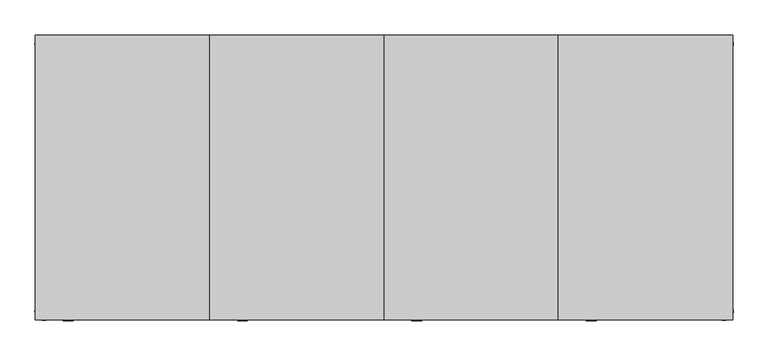
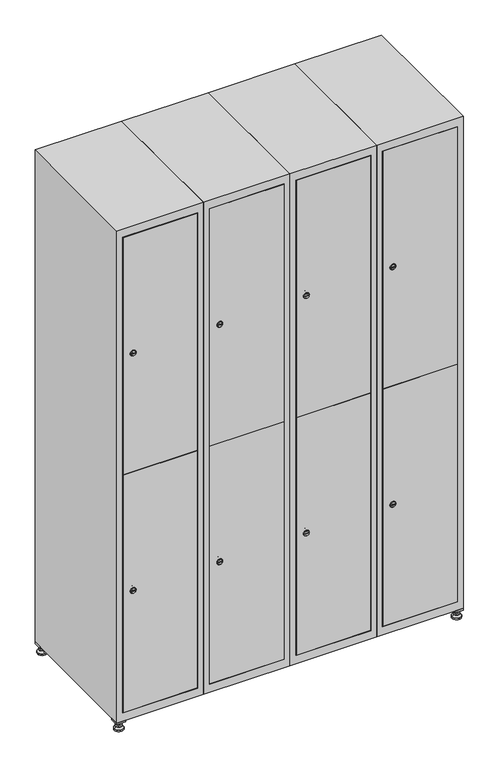
"""IFC4 building model written with IfcOpenShell, lengths in millimetres: furniture geometry."""

from ifc_helpers import new_model, si_unit, point, frame, frame_2d, origin, origin_with_axes, place, context, project, spatial, polyline, circle_curve, trimmed, segment, composite_curve, outline, extrude, faceted_brep, source, transform, mapped, element, save
from ifc_brep_helpers import plane_surface, revolved_surface, advanced_brep


def furniture_bb982e2c(model_context):
    return source(origin(), model_context, "Body", "SolidModel", [
        extrude(outline(polyline([(1000.0, 245.0), (1000.0, 215.0), (970.0, 215.0), (970.0, 245.0), (1000.0, 245.0)]), holes=[polyline([(998.0, 243.0), (972.0, 243.0), (972.0, 217.0), (998.0, 217.0), (998.0, 243.0)])]), frame((0.0, 0.0, 28.5), z_axis=(0.0, 0.0, 1.0), x_axis=(1.0, 0.0, 0.0)), (0.0, 0.0, 1.0), 6.5),
        extrude(outline(polyline([(970.0, -245.0), (970.0, -215.0), (1000.0, -215.0), (1000.0, -245.0), (970.0, -245.0)]), holes=[polyline([(972.0, -243.0), (998.0, -243.0), (998.0, -217.0), (972.0, -217.0), (972.0, -243.0)])]), frame((0.0, 0.0, 28.5), z_axis=(0.0, 0.0, 1.0), x_axis=(1.0, 0.0, 0.0)), (0.0, 0.0, 1.0), 6.5),
        extrude(outline(polyline([(-170.0, 245.0), (-170.0, 215.0), (-200.0, 215.0), (-200.0, 245.0), (-170.0, 245.0)]), holes=[polyline([(-172.0, 243.0), (-198.0, 243.0), (-198.0, 217.0), (-172.0, 217.0), (-172.0, 243.0)])]), frame((0.0, 0.0, 28.5), z_axis=(0.0, 0.0, 1.0), x_axis=(1.0, 0.0, 0.0)), (0.0, 0.0, 1.0), 6.5),
        extrude(outline(polyline([(-170.0, -215.0), (-170.0, -245.0), (-200.0, -245.0), (-200.0, -215.0), (-170.0, -215.0)]), holes=[polyline([(-198.0, -243.0), (-172.0, -243.0), (-172.0, -217.0), (-198.0, -217.0), (-198.0, -243.0)])]), frame((0.0, 0.0, 28.5), z_axis=(0.0, 0.0, 1.0), x_axis=(1.0, 0.0, 0.0)), (0.0, 0.0, 1.0), 6.5),
        extrude(outline(composite_curve([segment(trimmed(circle_curve(frame_2d((-185.0, 230.0)), 5.0), [point((-180.0, 230.0))], [point((-190.0, 230.0))], False, "CARTESIAN"), True, "CONTINUOUS"), segment(trimmed(circle_curve(frame_2d((-185.0, 230.0)), 5.0), [point((-190.0, 230.0))], [point((-180.0, 230.0))], False, "CARTESIAN"), True, "CONTINUOUS")], self_intersect=False)), frame((0.0, 0.0, 19.6), z_axis=(0.0, 0.0, 1.0), x_axis=(1.0, 0.0, 0.0)), (0.0, 0.0, 1.0), 15.4),
        extrude(outline(composite_curve([segment(trimmed(circle_curve(frame_2d((-185.0, -230.0)), 5.0), [point((-180.0, -230.0))], [point((-190.0, -230.0))], False, "CARTESIAN"), True, "CONTINUOUS"), segment(trimmed(circle_curve(frame_2d((-185.0, -230.0)), 5.0), [point((-190.0, -230.0))], [point((-180.0, -230.0))], False, "CARTESIAN"), True, "CONTINUOUS")], self_intersect=False)), frame((0.0, 0.0, 19.6), z_axis=(0.0, 0.0, 1.0), x_axis=(1.0, 0.0, 0.0)), (0.0, 0.0, 1.0), 15.4),
        extrude(outline(composite_curve([segment(trimmed(circle_curve(frame_2d((985.0, 230.0)), 5.0), [point((990.0, 230.0))], [point((980.0, 230.0))], False, "CARTESIAN"), True, "CONTINUOUS"), segment(trimmed(circle_curve(frame_2d((985.0, 230.0)), 5.0), [point((980.0, 230.0))], [point((990.0, 230.0))], False, "CARTESIAN"), True, "CONTINUOUS")], self_intersect=False)), frame((0.0, 0.0, 19.6), z_axis=(0.0, 0.0, 1.0), x_axis=(1.0, 0.0, 0.0)), (0.0, 0.0, 1.0), 15.4),
        extrude(outline(polyline([(973.4529946, 230.0), (979.2264973, 240.0), (990.7735027, 240.0), (996.5470054, 230.0), (990.7735027, 220.0), (979.2264973, 220.0), (973.4529946, 230.0)])), frame((0.0, 0.0, 13.6), z_axis=(0.0, 0.0, 1.0), x_axis=(1.0, 0.0, 0.0)), (0.0, 0.0, 1.0), 6.0),
        extrude(outline(composite_curve([segment(trimmed(circle_curve(frame_2d((985.0, -230.0)), 5.0), [point((990.0, -230.0))], [point((980.0, -230.0))], False, "CARTESIAN"), True, "CONTINUOUS"), segment(trimmed(circle_curve(frame_2d((985.0, -230.0)), 5.0), [point((980.0, -230.0))], [point((990.0, -230.0))], False, "CARTESIAN"), True, "CONTINUOUS")], self_intersect=False)), frame((0.0, 0.0, 19.6), z_axis=(0.0, 0.0, 1.0), x_axis=(1.0, 0.0, 0.0)), (0.0, 0.0, 1.0), 15.4),
        extrude(outline(polyline([(973.4529946, -230.0), (979.2264973, -220.0), (990.7735027, -220.0), (996.5470054, -230.0), (990.7735027, -240.0), (979.2264973, -240.0), (973.4529946, -230.0)])), frame((0.0, 0.0, 13.6), z_axis=(0.0, 0.0, 1.0), x_axis=(1.0, 0.0, 0.0)), (0.0, 0.0, 1.0), 6.0),
        extrude(outline(composite_curve([segment(trimmed(circle_curve(frame_2d((985.0, 230.0)), 5.0), [point((990.0, 230.0))], [point((980.0, 230.0))], False, "CARTESIAN"), True, "CONTINUOUS"), segment(trimmed(circle_curve(frame_2d((985.0, 230.0)), 5.0), [point((980.0, 230.0))], [point((990.0, 230.0))], False, "CARTESIAN"), True, "CONTINUOUS")], self_intersect=False)), frame((0.0, 0.0, 12.1), z_axis=(0.0, 0.0, 1.0), x_axis=(1.0, 0.0, 0.0)), (0.0, 0.0, 1.0), 1.5),
        extrude(outline(composite_curve([segment(trimmed(circle_curve(frame_2d((985.0, -230.0)), 5.0), [point((990.0, -230.0))], [point((980.0, -230.0))], False, "CARTESIAN"), True, "CONTINUOUS"), segment(trimmed(circle_curve(frame_2d((985.0, -230.0)), 5.0), [point((980.0, -230.0))], [point((990.0, -230.0))], False, "CARTESIAN"), True, "CONTINUOUS")], self_intersect=False)), frame((0.0, 0.0, 12.1), z_axis=(0.0, 0.0, 1.0), x_axis=(1.0, 0.0, 0.0)), (0.0, 0.0, 1.0), 1.5),
        extrude(outline(polyline([(-196.5470054, 230.0), (-190.7735027, 240.0), (-179.2264973, 240.0), (-173.4529946, 230.0), (-179.2264973, 220.0), (-190.7735027, 220.0), (-196.5470054, 230.0)])), frame((0.0, 0.0, 13.6), z_axis=(0.0, 0.0, 1.0), x_axis=(1.0, 0.0, 0.0)), (0.0, 0.0, 1.0), 6.0),
        extrude(outline(polyline([(-196.5470054, -230.0), (-190.7735027, -220.0), (-179.2264973, -220.0), (-173.4529946, -230.0), (-179.2264973, -240.0), (-190.7735027, -240.0), (-196.5470054, -230.0)])), frame((0.0, 0.0, 13.6), z_axis=(0.0, 0.0, 1.0), x_axis=(1.0, 0.0, 0.0)), (0.0, 0.0, 1.0), 6.0),
        extrude(outline(composite_curve([segment(trimmed(circle_curve(frame_2d((-185.0, 230.0)), 5.0), [point((-185.0, 235.0))], [point((-185.0, 225.0))], False, "CARTESIAN"), True, "CONTINUOUS"), segment(trimmed(circle_curve(frame_2d((-185.0, 230.0)), 5.0), [point((-185.0, 225.0))], [point((-185.0, 235.0))], False, "CARTESIAN"), True, "CONTINUOUS")], self_intersect=False)), frame((0.0, 0.0, 12.1), z_axis=(0.0, 0.0, 1.0), x_axis=(1.0, 0.0, 0.0)), (0.0, 0.0, 1.0), 1.5),
        extrude(outline(composite_curve([segment(trimmed(circle_curve(frame_2d((-185.0, -230.0)), 5.0), [point((-180.0, -230.0))], [point((-190.0, -230.0))], False, "CARTESIAN"), True, "CONTINUOUS"), segment(trimmed(circle_curve(frame_2d((-185.0, -230.0)), 5.0), [point((-190.0, -230.0))], [point((-180.0, -230.0))], False, "CARTESIAN"), True, "CONTINUOUS")], self_intersect=False)), frame((0.0, 0.0, 12.1), z_axis=(0.0, 0.0, 1.0), x_axis=(1.0, 0.0, 0.0)), (0.0, 0.0, 1.0), 1.5),
        extrude(outline(composite_curve([segment(trimmed(circle_curve(frame_2d((985.0, 230.0)), 15.75), [point((1000.75, 230.0))], [point((969.25, 230.0))], False, "CARTESIAN"), True, "CONTINUOUS"), segment(trimmed(circle_curve(frame_2d((985.0, 230.0)), 15.75), [point((969.25, 230.0))], [point((1000.75, 230.0))], False, "CARTESIAN"), True, "CONTINUOUS")], self_intersect=False)), origin_with_axes(), (0.0, 0.0, 1.0), 5.1),
        extrude(outline(composite_curve([segment(trimmed(circle_curve(frame_2d((985.0, -230.0)), 15.75), [point((985.0, -214.25))], [point((985.0, -245.75))], False, "CARTESIAN"), True, "CONTINUOUS"), segment(trimmed(circle_curve(frame_2d((985.0, -230.0)), 15.75), [point((985.0, -245.75))], [point((985.0, -214.25))], False, "CARTESIAN"), True, "CONTINUOUS")], self_intersect=False)), origin_with_axes(), (0.0, 0.0, 1.0), 5.1),
        extrude(outline(composite_curve([segment(trimmed(circle_curve(frame_2d((-185.0, -230.0)), 15.75), [point((-169.25, -230.0))], [point((-200.75, -230.0))], False, "CARTESIAN"), True, "CONTINUOUS"), segment(trimmed(circle_curve(frame_2d((-185.0, -230.0)), 15.75), [point((-200.75, -230.0))], [point((-169.25, -230.0))], False, "CARTESIAN"), True, "CONTINUOUS")], self_intersect=False)), origin_with_axes(), (0.0, 0.0, 1.0), 5.1),
        extrude(outline(composite_curve([segment(trimmed(circle_curve(frame_2d((-185.0, 230.0)), 15.75), [point((-169.25, 230.0))], [point((-200.75, 230.0))], False, "CARTESIAN"), True, "CONTINUOUS"), segment(trimmed(circle_curve(frame_2d((-185.0, 230.0)), 15.75), [point((-200.75, 230.0))], [point((-169.25, 230.0))], False, "CARTESIAN"), True, "CONTINUOUS")], self_intersect=False)), origin_with_axes(), (0.0, 0.0, 1.0), 5.1),
        advanced_brep(
        [(-185.0, 245.75, 5.1), (-185.0, 214.25, 5.1), (-185.0, 239.5, 12.1), (-185.0, 220.5, 12.1)],
        [
            (0, 1, circle_curve(frame((-185.0, 230.0, 5.1), z_axis=(0.0, 0.0, -1.0), x_axis=(0.0, 1.0, 0.0)), 15.75)),
            (1, 0, circle_curve(frame((-185.0, 230.0, 5.1), z_axis=(0.0, 0.0, -1.0), x_axis=(0.0, -1.0, 0.0)), 15.75)),
            (2, 3, circle_curve(frame((-185.0, 230.0, 12.1), z_axis=(0.0, 0.0, 1.0), x_axis=(0.0, -1.0, 0.0)), 9.5)),
            (3, 2, circle_curve(frame((-185.0, 230.0, 12.1), z_axis=(0.0, 0.0, 1.0), x_axis=(0.0, 1.0, 0.0)), 9.5)),
            (3, 1),
            (0, 2),
        ],
        [
            plane_surface(frame((-185.0, 230.0, 5.1), z_axis=(0.0, 0.0, -1.0), x_axis=(1.0, 0.0, 0.0))),
            plane_surface(frame((-185.0, 230.0, 12.1), z_axis=(0.0, 0.0, 1.0), x_axis=(1.0, 0.0, 0.0))),
            revolved_surface(polyline([(-185.0, 220.5, 12.099999999999998), (-185.0, 214.25, 5.099999999999998)]), (-185.0, 230.0, 22.74), (0.0, 0.0, -1.0)),
            revolved_surface(polyline([(-185.0, 239.5, 12.099999999999998), (-185.0, 245.75, 5.099999999999998)]), (-185.0, 230.0, 22.74), (0.0, 0.0, -1.0)),
        ],
        [
            (0, [[1, 2]]),
            (1, [[3, 4]]),
            (2, [[-4, 5, -1, 6]]),
            (3, [[-3, -6, -2, -5]]),
        ],
    ),
        advanced_brep(
        [(985.0, 245.75, 5.1), (985.0, 214.25, 5.1), (985.0, 239.5, 12.1), (985.0, 220.5, 12.1)],
        [
            (0, 1, circle_curve(frame((985.0, 230.0, 5.1), z_axis=(0.0, 0.0, -1.0), x_axis=(0.0, 1.0, 0.0)), 15.75)),
            (1, 0, circle_curve(frame((985.0, 230.0, 5.1), z_axis=(0.0, 0.0, -1.0), x_axis=(0.0, -1.0, 0.0)), 15.75)),
            (2, 3, circle_curve(frame((985.0, 230.0, 12.1), z_axis=(0.0, 0.0, 1.0), x_axis=(0.0, -1.0, 0.0)), 9.5)),
            (3, 2, circle_curve(frame((985.0, 230.0, 12.1), z_axis=(0.0, 0.0, 1.0), x_axis=(0.0, 1.0, 0.0)), 9.5)),
            (3, 1),
            (0, 2),
        ],
        [
            plane_surface(frame((985.0, 230.0, 5.1), z_axis=(0.0, 0.0, -1.0), x_axis=(1.0, 0.0, 0.0))),
            plane_surface(frame((985.0, 230.0, 12.1), z_axis=(0.0, 0.0, 1.0), x_axis=(1.0, 0.0, 0.0))),
            revolved_surface(polyline([(985.0, 220.5, 12.099999999999998), (985.0, 214.25, 5.099999999999998)]), (985.0, 230.0, 22.74), (0.0, 0.0, -1.0)),
            revolved_surface(polyline([(985.0, 239.5, 12.099999999999998), (985.0, 245.75, 5.099999999999998)]), (985.0, 230.0, 22.74), (0.0, 0.0, -1.0)),
        ],
        [
            (0, [[1, 2]]),
            (1, [[3, 4]]),
            (2, [[-4, 5, -1, 6]]),
            (3, [[-3, -6, -2, -5]]),
        ],
    ),
        advanced_brep(
        [(994.5, -230.0, 12.1), (975.5, -230.0, 12.1), (1000.75, -230.0, 5.1), (969.25, -230.0, 5.1)],
        [
            (0, 1, circle_curve(frame((985.0, -230.0, 12.1), z_axis=(0.0, 0.0, 1.0), x_axis=(1.0, 0.0, 0.0)), 9.5)),
            (1, 0, circle_curve(frame((985.0, -230.0, 12.1), z_axis=(0.0, 0.0, 1.0), x_axis=(-1.0, 0.0, 0.0)), 9.5)),
            (2, 3, circle_curve(frame((985.0, -230.0, 5.1), z_axis=(0.0, 0.0, -1.0), x_axis=(-1.0, 0.0, 0.0)), 15.75)),
            (3, 2, circle_curve(frame((985.0, -230.0, 5.1), z_axis=(0.0, 0.0, -1.0), x_axis=(1.0, 0.0, 0.0)), 15.75)),
            (3, 1),
            (0, 2),
        ],
        [
            plane_surface(frame((985.0, -230.0, 12.1), z_axis=(0.0, 0.0, 1.0), x_axis=(0.0, 1.0, 0.0))),
            plane_surface(frame((985.0, -230.0, 5.1), z_axis=(0.0, 0.0, -1.0), x_axis=(0.0, 1.0, 0.0))),
            revolved_surface(polyline([(994.5, -230.0, 12.099999999999998), (1000.75, -230.0, 5.099999999999998)]), (985.0, -230.0, 22.74), (0.0, 0.0, -1.0)),
            revolved_surface(polyline([(975.5, -230.0, 12.099999999999998), (969.25, -230.0, 5.099999999999998)]), (985.0, -230.0, 22.74), (0.0, 0.0, -1.0)),
        ],
        [
            (0, [[1, 2]]),
            (1, [[3, 4]]),
            (2, [[-4, 5, -1, 6]]),
            (3, [[-3, -6, -2, -5]]),
        ],
    ),
        advanced_brep(
        [(-175.5, -230.0, 12.1), (-194.5, -230.0, 12.1), (-169.25, -230.0, 5.1), (-200.75, -230.0, 5.1)],
        [
            (0, 1, circle_curve(frame((-185.0, -230.0, 12.1), z_axis=(0.0, 0.0, 1.0), x_axis=(1.0, 0.0, 0.0)), 9.5)),
            (1, 0, circle_curve(frame((-185.0, -230.0, 12.1), z_axis=(0.0, 0.0, 1.0), x_axis=(-1.0, 0.0, 0.0)), 9.5)),
            (2, 3, circle_curve(frame((-185.0, -230.0, 5.1), z_axis=(0.0, 0.0, -1.0), x_axis=(-1.0, 0.0, 0.0)), 15.75)),
            (3, 2, circle_curve(frame((-185.0, -230.0, 5.1), z_axis=(0.0, 0.0, -1.0), x_axis=(1.0, 0.0, 0.0)), 15.75)),
            (3, 1),
            (0, 2),
        ],
        [
            plane_surface(frame((-185.0, -230.0, 12.1), z_axis=(0.0, 0.0, 1.0), x_axis=(0.0, 1.0, 0.0))),
            plane_surface(frame((-185.0, -230.0, 5.1), z_axis=(0.0, 0.0, -1.0), x_axis=(0.0, 1.0, 0.0))),
            revolved_surface(polyline([(-175.5, -230.0, 12.099999999999998), (-169.25, -230.0, 5.099999999999998)]), (-185.0, -230.0, 22.74), (0.0, 0.0, -1.0)),
            revolved_surface(polyline([(-194.5, -230.0, 12.099999999999998), (-200.75, -230.0, 5.099999999999998)]), (-185.0, -230.0, 22.74), (0.0, 0.0, -1.0)),
        ],
        [
            (0, [[1, 2]]),
            (1, [[3, 4]]),
            (2, [[-4, 5, -1, 6]]),
            (3, [[-3, -6, -2, -5]]),
        ],
    ),
        extrude(outline(composite_curve([segment(trimmed(circle_curve(frame_2d((500.6, 729.6010534)), 7.0), [point((507.6, 729.6010534))], [point((493.6, 729.6010534))], False, "CARTESIAN"), True, "CONTINUOUS"), segment(polyline([(493.6, 729.6010534), (493.6, 757.6010534)]), True, "CONTINUOUS"), segment(trimmed(circle_curve(frame_2d((500.6, 757.6010534)), 7.0), [point((493.6, 757.6010534))], [point((507.6, 757.6010534))], False, "CARTESIAN"), True, "CONTINUOUS"), segment(polyline([(507.6, 757.6010534), (507.6, 729.6010534)]), True, "CONTINUOUS")], self_intersect=False)), frame((0.0, -227.0, 0.0), z_axis=(0.0, 1.0, 0.0), x_axis=(0.0, 0.0, 1.0)), (0.0, 0.0, 1.0), 2.0),
        advanced_brep(
        [(764.9, -247.2, 500.6), (747.9, -247.2, 500.6), (751.4, -247.2, 499.35), (751.4, -247.2, 501.85), (761.4, -247.2, 501.85), (761.4, -247.2, 499.35), (766.9, -245.0, 500.6), (745.9, -245.0, 500.6), (751.4, -245.0, 501.85), (751.4, -245.0, 499.35), (761.4, -245.0, 499.35), (761.4, -245.0, 501.85)],
        [
            (0, 1, circle_curve(frame((756.4, -247.2, 500.6), z_axis=(0.0, -1.0, 0.0), x_axis=(1.0, 0.0, 0.0)), 8.5)),
            (1, 0, circle_curve(frame((756.4, -247.2, 500.6), z_axis=(0.0, -1.0, 0.0), x_axis=(-1.0, 0.0, 0.0)), 8.5)),
            (2, 3),
            (3, 4),
            (4, 5),
            (5, 2),
            (6, 7, circle_curve(frame((756.4, -245.0, 500.6), z_axis=(0.0, 1.0, 0.0), x_axis=(-1.0, 0.0, 0.0)), 10.5)),
            (7, 6, circle_curve(frame((756.4, -245.0, 500.6), z_axis=(0.0, 1.0, 0.0), x_axis=(1.0, 0.0, 0.0)), 10.5)),
            (8, 9),
            (9, 10),
            (10, 11),
            (11, 8),
            (0, 6),
            (7, 1),
            (8, 3),
            (2, 9),
            (11, 4),
            (10, 5),
        ],
        [
            plane_surface(frame((756.4, -247.2, 500.6), z_axis=(0.0, -1.0, 0.0), x_axis=(0.0, 0.0, 1.0))),
            plane_surface(frame((756.4, -245.0, 500.6), z_axis=(0.0, 1.0, 0.0), x_axis=(0.0, 0.0, 1.0))),
            revolved_surface(polyline([(764.9, -247.2, 500.6), (766.9, -245.0, 500.6)]), (756.4, -256.55, 500.6), (0.0, 1.0, 0.0)),
            revolved_surface(polyline([(747.9, -247.2, 500.6), (745.9, -245.0, 500.6)]), (756.4, -256.55, 500.6), (0.0, 1.0, 0.0)),
            plane_surface(frame((751.4, -245.0, 499.35), z_axis=(1.0, 0.0, 0.0), x_axis=(0.0, -1.0, 0.0))),
            plane_surface(frame((751.4, -245.0, 501.85), z_axis=(0.0, 0.0, -1.0), x_axis=(0.0, -1.0, 0.0))),
            plane_surface(frame((761.4, -245.0, 501.85), z_axis=(-1.0, 0.0, 0.0), x_axis=(0.0, -1.0, 0.0))),
            plane_surface(frame((761.4, -245.0, 499.35), z_axis=(0.0, 0.0, 1.0), x_axis=(0.0, -1.0, 0.0))),
        ],
        [
            (0, [[1, 2], [3, 4, 5, 6]]),
            (1, [[7, 8], [9, 10, 11, 12]]),
            (2, [[-1, 13, -8, 14]]),
            (3, [[-2, -14, -7, -13]]),
            (4, [[15, -3, 16, -9]]),
            (5, [[-15, -12, 17, -4]]),
            (6, [[-17, -11, 18, -5]]),
            (7, [[-16, -6, -18, -10]]),
        ],
    ),
        extrude(outline(composite_curve([segment(trimmed(circle_curve(frame_2d((1369.4, 729.6010534)), 7.0), [point((1376.4, 729.6010534))], [point((1362.4, 729.6010534))], False, "CARTESIAN"), True, "CONTINUOUS"), segment(polyline([(1362.4, 729.6010534), (1362.4, 757.6010534)]), True, "CONTINUOUS"), segment(trimmed(circle_curve(frame_2d((1369.4, 757.6010534)), 7.0), [point((1362.4, 757.6010534))], [point((1376.4, 757.6010534))], False, "CARTESIAN"), True, "CONTINUOUS"), segment(polyline([(1376.4, 757.6010534), (1376.4, 729.6010534)]), True, "CONTINUOUS")], self_intersect=False)), frame((0.0, -227.0, 0.0), z_axis=(0.0, 1.0, 0.0), x_axis=(0.0, 0.0, 1.0)), (0.0, 0.0, 1.0), 2.0),
        advanced_brep(
        [(764.9, -247.2, 1369.4), (747.9, -247.2, 1369.4), (751.4, -247.2, 1368.15), (751.4, -247.2, 1370.65), (761.4, -247.2, 1370.65), (761.4, -247.2, 1368.15), (766.9, -245.0, 1369.4), (745.9, -245.0, 1369.4), (751.4, -245.0, 1370.65), (751.4, -245.0, 1368.15), (761.4, -245.0, 1368.15), (761.4, -245.0, 1370.65)],
        [
            (0, 1, circle_curve(frame((756.4, -247.2, 1369.4), z_axis=(0.0, -1.0, 0.0), x_axis=(1.0, 0.0, 0.0)), 8.5)),
            (1, 0, circle_curve(frame((756.4, -247.2, 1369.4), z_axis=(0.0, -1.0, 0.0), x_axis=(-1.0, 0.0, 0.0)), 8.5)),
            (2, 3),
            (3, 4),
            (4, 5),
            (5, 2),
            (6, 7, circle_curve(frame((756.4, -245.0, 1369.4), z_axis=(0.0, 1.0, 0.0), x_axis=(-1.0, 0.0, 0.0)), 10.5)),
            (7, 6, circle_curve(frame((756.4, -245.0, 1369.4), z_axis=(0.0, 1.0, 0.0), x_axis=(1.0, 0.0, 0.0)), 10.5)),
            (8, 9),
            (9, 10),
            (10, 11),
            (11, 8),
            (0, 6),
            (7, 1),
            (8, 3),
            (2, 9),
            (11, 4),
            (10, 5),
        ],
        [
            plane_surface(frame((756.4, -247.2, 1369.4), z_axis=(0.0, -1.0, 0.0), x_axis=(0.0, 0.0, 1.0))),
            plane_surface(frame((756.4, -245.0, 1369.4), z_axis=(0.0, 1.0, 0.0), x_axis=(0.0, 0.0, 1.0))),
            revolved_surface(polyline([(764.9, -247.2, 1369.4), (766.9, -245.0, 1369.4)]), (756.4, -256.55, 1369.4), (0.0, 1.0, 0.0)),
            revolved_surface(polyline([(747.9, -247.2, 1369.4), (745.9, -245.0, 1369.4)]), (756.4, -256.55, 1369.4), (0.0, 1.0, 0.0)),
            plane_surface(frame((751.4, -245.0, 1368.15), z_axis=(1.0, 0.0, 0.0), x_axis=(0.0, -1.0, 0.0))),
            plane_surface(frame((751.4, -245.0, 1370.65), z_axis=(0.0, 0.0, -1.0), x_axis=(0.0, -1.0, 0.0))),
            plane_surface(frame((761.4, -245.0, 1370.65), z_axis=(-1.0, 0.0, 0.0), x_axis=(0.0, -1.0, 0.0))),
            plane_surface(frame((761.4, -245.0, 1368.15), z_axis=(0.0, 0.0, 1.0), x_axis=(0.0, -1.0, 0.0))),
        ],
        [
            (0, [[1, 2], [3, 4, 5, 6]]),
            (1, [[7, 8], [9, 10, 11, 12]]),
            (2, [[-1, 13, -8, 14]]),
            (3, [[-2, -14, -7, -13]]),
            (4, [[15, -3, 16, -9]]),
            (5, [[-15, -12, 17, -4]]),
            (6, [[-17, -11, 18, -5]]),
            (7, [[-16, -6, -18, -10]]),
        ],
    ),
        extrude(outline(polyline([(721.4, -245.0), (721.4, -227.0), (978.6, -227.0), (978.6, -245.0), (721.4, -245.0)])), frame((0.0, 0.0, 66.2), z_axis=(0.0, 0.0, 1.0), x_axis=(1.0, 0.0, 0.0)), (0.0, 0.0, 1.0), 868.3),
        extrude(outline(polyline([(978.6, -227.0), (978.6, -245.0), (721.4, -245.0), (721.4, -227.0), (978.6, -227.0)])), frame((0.0, 0.0, 935.5), z_axis=(0.0, 0.0, 1.0), x_axis=(1.0, 0.0, 0.0)), (0.0, 0.0, 1.0), 868.3),
        extrude(outline(polyline([(979.6, 242.0), (979.6, -227.0), (720.4, -227.0), (720.4, 242.0), (979.6, 242.0)])), frame((0.0, 0.0, 924.8), z_axis=(0.0, 0.0, 1.0), x_axis=(1.0, 0.0, 0.0)), (0.0, 0.0, 1.0), 20.4),
        faceted_brep([(1000.0, -245.0, 35.0), (1000.0, -245.0, 1835.0), (700.0, -245.0, 1835.0), (700.0, -245.0, 35.0), (979.6, -245.0, 1804.8), (979.6, -245.0, 65.2), (720.4, -245.0, 65.2), (720.4, -245.0, 1804.8), (1000.0, 245.0, 35.0), (700.0, 245.0, 35.0), (1000.0, 245.0, 1835.0), (700.0, 245.0, 1835.0), (979.6, 242.0, 1804.8), (979.6, 242.0, 65.2), (700.0, 245.0, 1804.8), (720.4, 242.0, 1804.8), (720.4, 242.0, 65.2)], [[[0, 1, 2, 3], [4, 5, 6, 7]], [[8, 0, 3, 9]], [[1, 0, 8, 10]], [[1, 10, 11, 2]], [[4, 12, 13, 5]], [[9, 3, 2, 11, 14]], [[10, 8, 9, 14, 11]], [[12, 15, 16, 13]], [[15, 7, 6, 16]], [[4, 7, 15, 12]], [[6, 5, 13, 16]]]),
        extrude(outline(composite_curve([segment(trimmed(circle_curve(frame_2d((500.6, 429.6010534)), 7.0), [point((507.6, 429.6010534))], [point((493.6, 429.6010534))], False, "CARTESIAN"), True, "CONTINUOUS"), segment(polyline([(493.6, 429.6010534), (493.6, 457.6010534)]), True, "CONTINUOUS"), segment(trimmed(circle_curve(frame_2d((500.6, 457.6010534)), 7.0), [point((493.6, 457.6010534))], [point((507.6, 457.6010534))], False, "CARTESIAN"), True, "CONTINUOUS"), segment(polyline([(507.6, 457.6010534), (507.6, 429.6010534)]), True, "CONTINUOUS")], self_intersect=False)), frame((0.0, -227.0, 0.0), z_axis=(0.0, 1.0, 0.0), x_axis=(0.0, 0.0, 1.0)), (0.0, 0.0, 1.0), 2.0),
        advanced_brep(
        [(464.9, -247.2, 500.6), (447.9, -247.2, 500.6), (451.4, -247.2, 499.35), (451.4, -247.2, 501.85), (461.4, -247.2, 501.85), (461.4, -247.2, 499.35), (466.9, -245.0, 500.6), (445.9, -245.0, 500.6), (451.4, -245.0, 501.85), (451.4, -245.0, 499.35), (461.4, -245.0, 499.35), (461.4, -245.0, 501.85)],
        [
            (0, 1, circle_curve(frame((456.4, -247.2, 500.6), z_axis=(0.0, -1.0, 0.0), x_axis=(1.0, 0.0, 0.0)), 8.5)),
            (1, 0, circle_curve(frame((456.4, -247.2, 500.6), z_axis=(0.0, -1.0, 0.0), x_axis=(-1.0, 0.0, 0.0)), 8.5)),
            (2, 3),
            (3, 4),
            (4, 5),
            (5, 2),
            (6, 7, circle_curve(frame((456.4, -245.0, 500.6), z_axis=(0.0, 1.0, 0.0), x_axis=(-1.0, 0.0, 0.0)), 10.5)),
            (7, 6, circle_curve(frame((456.4, -245.0, 500.6), z_axis=(0.0, 1.0, 0.0), x_axis=(1.0, 0.0, 0.0)), 10.5)),
            (8, 9),
            (9, 10),
            (10, 11),
            (11, 8),
            (0, 6),
            (7, 1),
            (8, 3),
            (2, 9),
            (11, 4),
            (10, 5),
        ],
        [
            plane_surface(frame((456.4, -247.2, 500.6), z_axis=(0.0, -1.0, 0.0), x_axis=(0.0, 0.0, 1.0))),
            plane_surface(frame((456.4, -245.0, 500.6), z_axis=(0.0, 1.0, 0.0), x_axis=(0.0, 0.0, 1.0))),
            revolved_surface(polyline([(464.9, -247.2, 500.6), (466.9, -245.0, 500.6)]), (456.4, -256.55, 500.6), (0.0, 1.0, 0.0)),
            revolved_surface(polyline([(447.9, -247.2, 500.6), (445.9, -245.0, 500.6)]), (456.4, -256.55, 500.6), (0.0, 1.0, 0.0)),
            plane_surface(frame((451.4, -245.0, 499.35), z_axis=(1.0, 0.0, 0.0), x_axis=(0.0, -1.0, 0.0))),
            plane_surface(frame((451.4, -245.0, 501.85), z_axis=(0.0, 0.0, -1.0), x_axis=(0.0, -1.0, 0.0))),
            plane_surface(frame((461.4, -245.0, 501.85), z_axis=(-1.0, 0.0, 0.0), x_axis=(0.0, -1.0, 0.0))),
            plane_surface(frame((461.4, -245.0, 499.35), z_axis=(0.0, 0.0, 1.0), x_axis=(0.0, -1.0, 0.0))),
        ],
        [
            (0, [[1, 2], [3, 4, 5, 6]]),
            (1, [[7, 8], [9, 10, 11, 12]]),
            (2, [[-1, 13, -8, 14]]),
            (3, [[-2, -14, -7, -13]]),
            (4, [[15, -3, 16, -9]]),
            (5, [[-15, -12, 17, -4]]),
            (6, [[-17, -11, 18, -5]]),
            (7, [[-16, -6, -18, -10]]),
        ],
    ),
        extrude(outline(composite_curve([segment(trimmed(circle_curve(frame_2d((1369.4, 429.6010534)), 7.0), [point((1376.4, 429.6010534))], [point((1362.4, 429.6010534))], False, "CARTESIAN"), True, "CONTINUOUS"), segment(polyline([(1362.4, 429.6010534), (1362.4, 457.6010534)]), True, "CONTINUOUS"), segment(trimmed(circle_curve(frame_2d((1369.4, 457.6010534)), 7.0), [point((1362.4, 457.6010534))], [point((1376.4, 457.6010534))], False, "CARTESIAN"), True, "CONTINUOUS"), segment(polyline([(1376.4, 457.6010534), (1376.4, 429.6010534)]), True, "CONTINUOUS")], self_intersect=False)), frame((0.0, -227.0, 0.0), z_axis=(0.0, 1.0, 0.0), x_axis=(0.0, 0.0, 1.0)), (0.0, 0.0, 1.0), 2.0),
        advanced_brep(
        [(464.9, -247.2, 1369.4), (447.9, -247.2, 1369.4), (451.4, -247.2, 1368.15), (451.4, -247.2, 1370.65), (461.4, -247.2, 1370.65), (461.4, -247.2, 1368.15), (466.9, -245.0, 1369.4), (445.9, -245.0, 1369.4), (451.4, -245.0, 1370.65), (451.4, -245.0, 1368.15), (461.4, -245.0, 1368.15), (461.4, -245.0, 1370.65)],
        [
            (0, 1, circle_curve(frame((456.4, -247.2, 1369.4), z_axis=(0.0, -1.0, 0.0), x_axis=(1.0, 0.0, 0.0)), 8.5)),
            (1, 0, circle_curve(frame((456.4, -247.2, 1369.4), z_axis=(0.0, -1.0, 0.0), x_axis=(-1.0, 0.0, 0.0)), 8.5)),
            (2, 3),
            (3, 4),
            (4, 5),
            (5, 2),
            (6, 7, circle_curve(frame((456.4, -245.0, 1369.4), z_axis=(0.0, 1.0, 0.0), x_axis=(-1.0, 0.0, 0.0)), 10.5)),
            (7, 6, circle_curve(frame((456.4, -245.0, 1369.4), z_axis=(0.0, 1.0, 0.0), x_axis=(1.0, 0.0, 0.0)), 10.5)),
            (8, 9),
            (9, 10),
            (10, 11),
            (11, 8),
            (0, 6),
            (7, 1),
            (8, 3),
            (2, 9),
            (11, 4),
            (10, 5),
        ],
        [
            plane_surface(frame((456.4, -247.2, 1369.4), z_axis=(0.0, -1.0, 0.0), x_axis=(0.0, 0.0, 1.0))),
            plane_surface(frame((456.4, -245.0, 1369.4), z_axis=(0.0, 1.0, 0.0), x_axis=(0.0, 0.0, 1.0))),
            revolved_surface(polyline([(464.9, -247.2, 1369.4), (466.9, -245.0, 1369.4)]), (456.4, -256.55, 1369.4), (0.0, 1.0, 0.0)),
            revolved_surface(polyline([(447.9, -247.2, 1369.4), (445.9, -245.0, 1369.4)]), (456.4, -256.55, 1369.4), (0.0, 1.0, 0.0)),
            plane_surface(frame((451.4, -245.0, 1368.15), z_axis=(1.0, 0.0, 0.0), x_axis=(0.0, -1.0, 0.0))),
            plane_surface(frame((451.4, -245.0, 1370.65), z_axis=(0.0, 0.0, -1.0), x_axis=(0.0, -1.0, 0.0))),
            plane_surface(frame((461.4, -245.0, 1370.65), z_axis=(-1.0, 0.0, 0.0), x_axis=(0.0, -1.0, 0.0))),
            plane_surface(frame((461.4, -245.0, 1368.15), z_axis=(0.0, 0.0, 1.0), x_axis=(0.0, -1.0, 0.0))),
        ],
        [
            (0, [[1, 2], [3, 4, 5, 6]]),
            (1, [[7, 8], [9, 10, 11, 12]]),
            (2, [[-1, 13, -8, 14]]),
            (3, [[-2, -14, -7, -13]]),
            (4, [[15, -3, 16, -9]]),
            (5, [[-15, -12, 17, -4]]),
            (6, [[-17, -11, 18, -5]]),
            (7, [[-16, -6, -18, -10]]),
        ],
    ),
        extrude(outline(polyline([(421.4, -245.0), (421.4, -227.0), (678.6, -227.0), (678.6, -245.0), (421.4, -245.0)])), frame((0.0, 0.0, 66.2), z_axis=(0.0, 0.0, 1.0), x_axis=(1.0, 0.0, 0.0)), (0.0, 0.0, 1.0), 868.3),
        extrude(outline(polyline([(678.6, -227.0), (678.6, -245.0), (421.4, -245.0), (421.4, -227.0), (678.6, -227.0)])), frame((0.0, 0.0, 935.5), z_axis=(0.0, 0.0, 1.0), x_axis=(1.0, 0.0, 0.0)), (0.0, 0.0, 1.0), 868.3),
        extrude(outline(polyline([(679.6, 242.0), (679.6, -227.0), (420.4, -227.0), (420.4, 242.0), (679.6, 242.0)])), frame((0.0, 0.0, 924.8), z_axis=(0.0, 0.0, 1.0), x_axis=(1.0, 0.0, 0.0)), (0.0, 0.0, 1.0), 20.4),
        faceted_brep([(700.0, -245.0, 35.0), (700.0, -245.0, 1835.0), (400.0, -245.0, 1835.0), (400.0, -245.0, 35.0), (679.6, -245.0, 1804.8), (679.6, -245.0, 65.2), (420.4, -245.0, 65.2), (420.4, -245.0, 1804.8), (700.0, 245.0, 35.0), (400.0, 245.0, 35.0), (700.0, 245.0, 1835.0), (400.0, 245.0, 1835.0), (679.6, 242.0, 1804.8), (679.6, 242.0, 65.2), (400.0, 245.0, 1804.8), (420.4, 242.0, 1804.8), (420.4, 242.0, 65.2)], [[[0, 1, 2, 3], [4, 5, 6, 7]], [[8, 0, 3, 9]], [[1, 0, 8, 10]], [[1, 10, 11, 2]], [[4, 12, 13, 5]], [[9, 3, 2, 11, 14]], [[10, 8, 9, 14, 11]], [[12, 15, 16, 13]], [[15, 7, 6, 16]], [[4, 7, 15, 12]], [[6, 5, 13, 16]]]),
        extrude(outline(composite_curve([segment(trimmed(circle_curve(frame_2d((500.6, 129.6010534)), 7.0), [point((507.6, 129.6010534))], [point((493.6, 129.6010534))], False, "CARTESIAN"), True, "CONTINUOUS"), segment(polyline([(493.6, 129.6010534), (493.6, 157.6010534)]), True, "CONTINUOUS"), segment(trimmed(circle_curve(frame_2d((500.6, 157.6010534)), 7.0), [point((493.6, 157.6010534))], [point((507.6, 157.6010534))], False, "CARTESIAN"), True, "CONTINUOUS"), segment(polyline([(507.6, 157.6010534), (507.6, 129.6010534)]), True, "CONTINUOUS")], self_intersect=False)), frame((0.0, -227.0, 0.0), z_axis=(0.0, 1.0, 0.0), x_axis=(0.0, 0.0, 1.0)), (0.0, 0.0, 1.0), 2.0),
        advanced_brep(
        [(164.9, -247.2, 500.6), (147.9, -247.2, 500.6), (151.4, -247.2, 499.35), (151.4, -247.2, 501.85), (161.4, -247.2, 501.85), (161.4, -247.2, 499.35), (166.9, -245.0, 500.6), (145.9, -245.0, 500.6), (151.4, -245.0, 501.85), (151.4, -245.0, 499.35), (161.4, -245.0, 499.35), (161.4, -245.0, 501.85)],
        [
            (0, 1, circle_curve(frame((156.4, -247.2, 500.6), z_axis=(0.0, -1.0, 0.0), x_axis=(1.0, 0.0, 0.0)), 8.5)),
            (1, 0, circle_curve(frame((156.4, -247.2, 500.6), z_axis=(0.0, -1.0, 0.0), x_axis=(-1.0, 0.0, 0.0)), 8.5)),
            (2, 3),
            (3, 4),
            (4, 5),
            (5, 2),
            (6, 7, circle_curve(frame((156.4, -245.0, 500.6), z_axis=(0.0, 1.0, 0.0), x_axis=(-1.0, 0.0, 0.0)), 10.5)),
            (7, 6, circle_curve(frame((156.4, -245.0, 500.6), z_axis=(0.0, 1.0, 0.0), x_axis=(1.0, 0.0, 0.0)), 10.5)),
            (8, 9),
            (9, 10),
            (10, 11),
            (11, 8),
            (0, 6),
            (7, 1),
            (8, 3),
            (2, 9),
            (11, 4),
            (10, 5),
        ],
        [
            plane_surface(frame((156.4, -247.2, 500.6), z_axis=(0.0, -1.0, 0.0), x_axis=(0.0, 0.0, 1.0))),
            plane_surface(frame((156.4, -245.0, 500.6), z_axis=(0.0, 1.0, 0.0), x_axis=(0.0, 0.0, 1.0))),
            revolved_surface(polyline([(164.9, -247.2, 500.6), (166.9, -245.0, 500.6)]), (156.4, -256.55, 500.6), (0.0, 1.0, 0.0)),
            revolved_surface(polyline([(147.9, -247.2, 500.6), (145.9, -245.0, 500.6)]), (156.4, -256.55, 500.6), (0.0, 1.0, 0.0)),
            plane_surface(frame((151.4, -245.0, 499.35), z_axis=(1.0, 0.0, 0.0), x_axis=(0.0, -1.0, 0.0))),
            plane_surface(frame((151.4, -245.0, 501.85), z_axis=(0.0, 0.0, -1.0), x_axis=(0.0, -1.0, 0.0))),
            plane_surface(frame((161.4, -245.0, 501.85), z_axis=(-1.0, 0.0, 0.0), x_axis=(0.0, -1.0, 0.0))),
            plane_surface(frame((161.4, -245.0, 499.35), z_axis=(0.0, 0.0, 1.0), x_axis=(0.0, -1.0, 0.0))),
        ],
        [
            (0, [[1, 2], [3, 4, 5, 6]]),
            (1, [[7, 8], [9, 10, 11, 12]]),
            (2, [[-1, 13, -8, 14]]),
            (3, [[-2, -14, -7, -13]]),
            (4, [[15, -3, 16, -9]]),
            (5, [[-15, -12, 17, -4]]),
            (6, [[-17, -11, 18, -5]]),
            (7, [[-16, -6, -18, -10]]),
        ],
    ),
        extrude(outline(composite_curve([segment(trimmed(circle_curve(frame_2d((1369.4, 129.6010534)), 7.0), [point((1376.4, 129.6010534))], [point((1362.4, 129.6010534))], False, "CARTESIAN"), True, "CONTINUOUS"), segment(polyline([(1362.4, 129.6010534), (1362.4, 157.6010534)]), True, "CONTINUOUS"), segment(trimmed(circle_curve(frame_2d((1369.4, 157.6010534)), 7.0), [point((1362.4, 157.6010534))], [point((1376.4, 157.6010534))], False, "CARTESIAN"), True, "CONTINUOUS"), segment(polyline([(1376.4, 157.6010534), (1376.4, 129.6010534)]), True, "CONTINUOUS")], self_intersect=False)), frame((0.0, -227.0, 0.0), z_axis=(0.0, 1.0, 0.0), x_axis=(0.0, 0.0, 1.0)), (0.0, 0.0, 1.0), 2.0),
        advanced_brep(
        [(164.9, -247.2, 1369.4), (147.9, -247.2, 1369.4), (151.4, -247.2, 1368.15), (151.4, -247.2, 1370.65), (161.4, -247.2, 1370.65), (161.4, -247.2, 1368.15), (166.9, -245.0, 1369.4), (145.9, -245.0, 1369.4), (151.4, -245.0, 1370.65), (151.4, -245.0, 1368.15), (161.4, -245.0, 1368.15), (161.4, -245.0, 1370.65)],
        [
            (0, 1, circle_curve(frame((156.4, -247.2, 1369.4), z_axis=(0.0, -1.0, 0.0), x_axis=(1.0, 0.0, 0.0)), 8.5)),
            (1, 0, circle_curve(frame((156.4, -247.2, 1369.4), z_axis=(0.0, -1.0, 0.0), x_axis=(-1.0, 0.0, 0.0)), 8.5)),
            (2, 3),
            (3, 4),
            (4, 5),
            (5, 2),
            (6, 7, circle_curve(frame((156.4, -245.0, 1369.4), z_axis=(0.0, 1.0, 0.0), x_axis=(-1.0, 0.0, 0.0)), 10.5)),
            (7, 6, circle_curve(frame((156.4, -245.0, 1369.4), z_axis=(0.0, 1.0, 0.0), x_axis=(1.0, 0.0, 0.0)), 10.5)),
            (8, 9),
            (9, 10),
            (10, 11),
            (11, 8),
            (0, 6),
            (7, 1),
            (8, 3),
            (2, 9),
            (11, 4),
            (10, 5),
        ],
        [
            plane_surface(frame((156.4, -247.2, 1369.4), z_axis=(0.0, -1.0, 0.0), x_axis=(0.0, 0.0, 1.0))),
            plane_surface(frame((156.4, -245.0, 1369.4), z_axis=(0.0, 1.0, 0.0), x_axis=(0.0, 0.0, 1.0))),
            revolved_surface(polyline([(164.9, -247.2, 1369.4), (166.9, -245.0, 1369.4)]), (156.4, -256.55, 1369.4), (0.0, 1.0, 0.0)),
            revolved_surface(polyline([(147.9, -247.2, 1369.4), (145.9, -245.0, 1369.4)]), (156.4, -256.55, 1369.4), (0.0, 1.0, 0.0)),
            plane_surface(frame((151.4, -245.0, 1368.15), z_axis=(1.0, 0.0, 0.0), x_axis=(0.0, -1.0, 0.0))),
            plane_surface(frame((151.4, -245.0, 1370.65), z_axis=(0.0, 0.0, -1.0), x_axis=(0.0, -1.0, 0.0))),
            plane_surface(frame((161.4, -245.0, 1370.65), z_axis=(-1.0, 0.0, 0.0), x_axis=(0.0, -1.0, 0.0))),
            plane_surface(frame((161.4, -245.0, 1368.15), z_axis=(0.0, 0.0, 1.0), x_axis=(0.0, -1.0, 0.0))),
        ],
        [
            (0, [[1, 2], [3, 4, 5, 6]]),
            (1, [[7, 8], [9, 10, 11, 12]]),
            (2, [[-1, 13, -8, 14]]),
            (3, [[-2, -14, -7, -13]]),
            (4, [[15, -3, 16, -9]]),
            (5, [[-15, -12, 17, -4]]),
            (6, [[-17, -11, 18, -5]]),
            (7, [[-16, -6, -18, -10]]),
        ],
    ),
        extrude(outline(polyline([(121.4, -245.0), (121.4, -227.0), (378.6, -227.0), (378.6, -245.0), (121.4, -245.0)])), frame((0.0, 0.0, 66.2), z_axis=(0.0, 0.0, 1.0), x_axis=(1.0, 0.0, 0.0)), (0.0, 0.0, 1.0), 868.3),
        extrude(outline(polyline([(378.6, -227.0), (378.6, -245.0), (121.4, -245.0), (121.4, -227.0), (378.6, -227.0)])), frame((0.0, 0.0, 935.5), z_axis=(0.0, 0.0, 1.0), x_axis=(1.0, 0.0, 0.0)), (0.0, 0.0, 1.0), 868.3),
        extrude(outline(polyline([(379.6, 242.0), (379.6, -227.0), (120.4, -227.0), (120.4, 242.0), (379.6, 242.0)])), frame((0.0, 0.0, 924.8), z_axis=(0.0, 0.0, 1.0), x_axis=(1.0, 0.0, 0.0)), (0.0, 0.0, 1.0), 20.4),
        faceted_brep([(400.0, -245.0, 35.0), (400.0, -245.0, 1835.0), (100.0, -245.0, 1835.0), (100.0, -245.0, 35.0), (379.6, -245.0, 1804.8), (379.6, -245.0, 65.2), (120.4, -245.0, 65.2), (120.4, -245.0, 1804.8), (400.0, 245.0, 35.0), (100.0, 245.0, 35.0), (400.0, 245.0, 1835.0), (100.0, 245.0, 1835.0), (379.6, 242.0, 1804.8), (379.6, 242.0, 65.2), (100.0, 245.0, 1804.8), (120.4, 242.0, 1804.8), (120.4, 242.0, 65.2)], [[[0, 1, 2, 3], [4, 5, 6, 7]], [[8, 0, 3, 9]], [[1, 0, 8, 10]], [[1, 10, 11, 2]], [[4, 12, 13, 5]], [[9, 3, 2, 11, 14]], [[10, 8, 9, 14, 11]], [[12, 15, 16, 13]], [[15, 7, 6, 16]], [[4, 7, 15, 12]], [[6, 5, 13, 16]]]),
        extrude(outline(composite_curve([segment(trimmed(circle_curve(frame_2d((500.6, -170.3989466)), 7.0), [point((507.6, -170.3989466))], [point((493.6, -170.3989466))], False, "CARTESIAN"), True, "CONTINUOUS"), segment(polyline([(493.6, -170.3989466), (493.6, -142.3989466)]), True, "CONTINUOUS"), segment(trimmed(circle_curve(frame_2d((500.6, -142.3989466)), 7.0), [point((493.6, -142.3989466))], [point((507.6, -142.3989466))], False, "CARTESIAN"), True, "CONTINUOUS"), segment(polyline([(507.6, -142.3989466), (507.6, -170.3989466)]), True, "CONTINUOUS")], self_intersect=False)), frame((0.0, -227.0, 0.0), z_axis=(0.0, 1.0, 0.0), x_axis=(0.0, 0.0, 1.0)), (0.0, 0.0, 1.0), 2.0),
        advanced_brep(
        [(-135.1, -247.2, 500.6), (-152.1, -247.2, 500.6), (-148.6, -247.2, 499.35), (-148.6, -247.2, 501.85), (-138.6, -247.2, 501.85), (-138.6, -247.2, 499.35), (-133.1, -245.0, 500.6), (-154.1, -245.0, 500.6), (-148.6, -245.0, 501.85), (-148.6, -245.0, 499.35), (-138.6, -245.0, 499.35), (-138.6, -245.0, 501.85)],
        [
            (0, 1, circle_curve(frame((-143.6, -247.2, 500.6), z_axis=(0.0, -1.0, 0.0), x_axis=(1.0, 0.0, 0.0)), 8.5)),
            (1, 0, circle_curve(frame((-143.6, -247.2, 500.6), z_axis=(0.0, -1.0, 0.0), x_axis=(-1.0, 0.0, 0.0)), 8.5)),
            (2, 3),
            (3, 4),
            (4, 5),
            (5, 2),
            (6, 7, circle_curve(frame((-143.6, -245.0, 500.6), z_axis=(0.0, 1.0, 0.0), x_axis=(-1.0, 0.0, 0.0)), 10.5)),
            (7, 6, circle_curve(frame((-143.6, -245.0, 500.6), z_axis=(0.0, 1.0, 0.0), x_axis=(1.0, 0.0, 0.0)), 10.5)),
            (8, 9),
            (9, 10),
            (10, 11),
            (11, 8),
            (0, 6),
            (7, 1),
            (8, 3),
            (2, 9),
            (11, 4),
            (10, 5),
        ],
        [
            plane_surface(frame((-143.6, -247.2, 500.6), z_axis=(0.0, -1.0, 0.0), x_axis=(0.0, 0.0, 1.0))),
            plane_surface(frame((-143.6, -245.0, 500.6), z_axis=(0.0, 1.0, 0.0), x_axis=(0.0, 0.0, 1.0))),
            revolved_surface(polyline([(-135.1, -247.2, 500.6), (-133.1, -245.0, 500.6)]), (-143.6, -256.55, 500.6), (0.0, 1.0, 0.0)),
            revolved_surface(polyline([(-152.1, -247.2, 500.6), (-154.1, -245.0, 500.6)]), (-143.6, -256.55, 500.6), (0.0, 1.0, 0.0)),
            plane_surface(frame((-148.6, -245.0, 499.35), z_axis=(1.0, 0.0, 0.0), x_axis=(0.0, -1.0, 0.0))),
            plane_surface(frame((-148.6, -245.0, 501.85), z_axis=(0.0, 0.0, -1.0), x_axis=(0.0, -1.0, 0.0))),
            plane_surface(frame((-138.6, -245.0, 501.85), z_axis=(-1.0, 0.0, 0.0), x_axis=(0.0, -1.0, 0.0))),
            plane_surface(frame((-138.6, -245.0, 499.35), z_axis=(0.0, 0.0, 1.0), x_axis=(0.0, -1.0, 0.0))),
        ],
        [
            (0, [[1, 2], [3, 4, 5, 6]]),
            (1, [[7, 8], [9, 10, 11, 12]]),
            (2, [[-1, 13, -8, 14]]),
            (3, [[-2, -14, -7, -13]]),
            (4, [[15, -3, 16, -9]]),
            (5, [[-15, -12, 17, -4]]),
            (6, [[-17, -11, 18, -5]]),
            (7, [[-16, -6, -18, -10]]),
        ],
    ),
        extrude(outline(composite_curve([segment(trimmed(circle_curve(frame_2d((1369.4, -170.3989466)), 7.0), [point((1376.4, -170.3989466))], [point((1362.4, -170.3989466))], False, "CARTESIAN"), True, "CONTINUOUS"), segment(polyline([(1362.4, -170.3989466), (1362.4, -142.3989466)]), True, "CONTINUOUS"), segment(trimmed(circle_curve(frame_2d((1369.4, -142.3989466)), 7.0), [point((1362.4, -142.3989466))], [point((1376.4, -142.3989466))], False, "CARTESIAN"), True, "CONTINUOUS"), segment(polyline([(1376.4, -142.3989466), (1376.4, -170.3989466)]), True, "CONTINUOUS")], self_intersect=False)), frame((0.0, -227.0, 0.0), z_axis=(0.0, 1.0, 0.0), x_axis=(0.0, 0.0, 1.0)), (0.0, 0.0, 1.0), 2.0),
        advanced_brep(
        [(-135.1, -247.2, 1369.4), (-152.1, -247.2, 1369.4), (-148.6, -247.2, 1368.15), (-148.6, -247.2, 1370.65), (-138.6, -247.2, 1370.65), (-138.6, -247.2, 1368.15), (-133.1, -245.0, 1369.4), (-154.1, -245.0, 1369.4), (-148.6, -245.0, 1370.65), (-148.6, -245.0, 1368.15), (-138.6, -245.0, 1368.15), (-138.6, -245.0, 1370.65)],
        [
            (0, 1, circle_curve(frame((-143.6, -247.2, 1369.4), z_axis=(0.0, -1.0, 0.0), x_axis=(1.0, 0.0, 0.0)), 8.5)),
            (1, 0, circle_curve(frame((-143.6, -247.2, 1369.4), z_axis=(0.0, -1.0, 0.0), x_axis=(-1.0, 0.0, 0.0)), 8.5)),
            (2, 3),
            (3, 4),
            (4, 5),
            (5, 2),
            (6, 7, circle_curve(frame((-143.6, -245.0, 1369.4), z_axis=(0.0, 1.0, 0.0), x_axis=(-1.0, 0.0, 0.0)), 10.5)),
            (7, 6, circle_curve(frame((-143.6, -245.0, 1369.4), z_axis=(0.0, 1.0, 0.0), x_axis=(1.0, 0.0, 0.0)), 10.5)),
            (8, 9),
            (9, 10),
            (10, 11),
            (11, 8),
            (0, 6),
            (7, 1),
            (8, 3),
            (2, 9),
            (11, 4),
            (10, 5),
        ],
        [
            plane_surface(frame((-143.6, -247.2, 1369.4), z_axis=(0.0, -1.0, 0.0), x_axis=(0.0, 0.0, 1.0))),
            plane_surface(frame((-143.6, -245.0, 1369.4), z_axis=(0.0, 1.0, 0.0), x_axis=(0.0, 0.0, 1.0))),
            revolved_surface(polyline([(-135.1, -247.2, 1369.4), (-133.1, -245.0, 1369.4)]), (-143.6, -256.55, 1369.4), (0.0, 1.0, 0.0)),
            revolved_surface(polyline([(-152.1, -247.2, 1369.4), (-154.1, -245.0, 1369.4)]), (-143.6, -256.55, 1369.4), (0.0, 1.0, 0.0)),
            plane_surface(frame((-148.6, -245.0, 1368.15), z_axis=(1.0, 0.0, 0.0), x_axis=(0.0, -1.0, 0.0))),
            plane_surface(frame((-148.6, -245.0, 1370.65), z_axis=(0.0, 0.0, -1.0), x_axis=(0.0, -1.0, 0.0))),
            plane_surface(frame((-138.6, -245.0, 1370.65), z_axis=(-1.0, 0.0, 0.0), x_axis=(0.0, -1.0, 0.0))),
            plane_surface(frame((-138.6, -245.0, 1368.15), z_axis=(0.0, 0.0, 1.0), x_axis=(0.0, -1.0, 0.0))),
        ],
        [
            (0, [[1, 2], [3, 4, 5, 6]]),
            (1, [[7, 8], [9, 10, 11, 12]]),
            (2, [[-1, 13, -8, 14]]),
            (3, [[-2, -14, -7, -13]]),
            (4, [[15, -3, 16, -9]]),
            (5, [[-15, -12, 17, -4]]),
            (6, [[-17, -11, 18, -5]]),
            (7, [[-16, -6, -18, -10]]),
        ],
    ),
        extrude(outline(polyline([(-178.6, -245.0), (-178.6, -227.0), (78.6, -227.0), (78.6, -245.0), (-178.6, -245.0)])), frame((0.0, 0.0, 66.2), z_axis=(0.0, 0.0, 1.0), x_axis=(1.0, 0.0, 0.0)), (0.0, 0.0, 1.0), 868.3),
        extrude(outline(polyline([(78.6, -227.0), (78.6, -245.0), (-178.6, -245.0), (-178.6, -227.0), (78.6, -227.0)])), frame((0.0, 0.0, 935.5), z_axis=(0.0, 0.0, 1.0), x_axis=(1.0, 0.0, 0.0)), (0.0, 0.0, 1.0), 868.3),
        extrude(outline(polyline([(79.6, 242.0), (79.6, -227.0), (-179.6, -227.0), (-179.6, 242.0), (79.6, 242.0)])), frame((0.0, 0.0, 924.8), z_axis=(0.0, 0.0, 1.0), x_axis=(1.0, 0.0, 0.0)), (0.0, 0.0, 1.0), 20.4),
        faceted_brep([(100.0, -245.0, 35.0), (100.0, -245.0, 1835.0), (-200.0, -245.0, 1835.0), (-200.0, -245.0, 35.0), (79.6, -245.0, 1804.8), (79.6, -245.0, 65.2), (-179.6, -245.0, 65.2), (-179.6, -245.0, 1804.8), (100.0, 245.0, 35.0), (-200.0, 245.0, 35.0), (100.0, 245.0, 1835.0), (-200.0, 245.0, 1835.0), (79.6, 242.0, 1804.8), (79.6, 242.0, 65.2), (-200.0, 245.0, 1804.8), (-179.6, 242.0, 1804.8), (-179.6, 242.0, 65.2)], [[[0, 1, 2, 3], [4, 5, 6, 7]], [[8, 0, 3, 9]], [[1, 0, 8, 10]], [[1, 10, 11, 2]], [[4, 12, 13, 5]], [[9, 3, 2, 11, 14]], [[10, 8, 9, 14, 11]], [[12, 15, 16, 13]], [[15, 7, 6, 16]], [[4, 7, 15, 12]], [[6, 5, 13, 16]]]),
    ])


if __name__ == "__main__":
    model = new_model("IFC4")
    model_context = context("Model", 3, world=origin())
    ifc_project = project(units=[si_unit("LENGTHUNIT", "METRE", prefix="MILLI")], contexts=[model_context])
    site = spatial("IfcSite", under=ifc_project)
    building = spatial("IfcBuilding", under=site)
    placement = place(None, origin())
    furniture_shape = furniture_bb982e2c(model_context)
    element("IfcFurniture", 1, at=placement, inside=building, context=model_context, shape_type="MappedRepresentation", body=[
        mapped(furniture_shape, transform((0.0, 0.0, 0.0), x_axis=(1.0, 0.0, 0.0), y_axis=(0.0, 1.0, 0.0), z_axis=(0.0, 0.0, 1.0))),
    ])
    save(model, "model.ifc")
